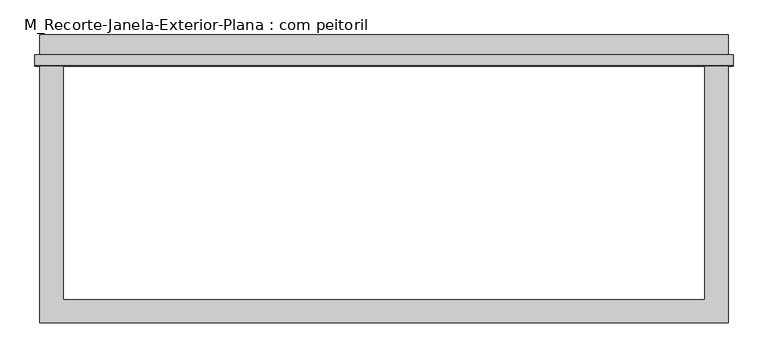
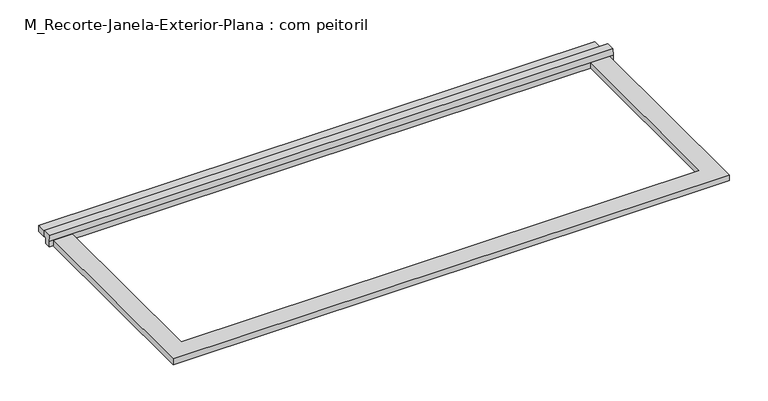
"""IFC4 building model written with IfcOpenShell, lengths in millimetres: proxy geometry, M_Recorte-Janela-Exterior-Plana : com peitoril."""

from ifc_helpers import new_model, si_unit, frame, origin, origin_with_axes, place, context, project, spatial, polyline, outline, extrude, source, transform, mapped, element, save


def m_recorte_janela_exterior_plana_com_peitoril_522b33e2(model_context):
    return source(origin(), model_context, "Body", "SweptSolid", [
        extrude(outline(polyline([(885.0, 620.4323709), (-885.0, 620.4323709), (-885.0, 680.4323709), (885.0, 680.4323709), (885.0, 620.4323709)])), origin_with_axes(), (0.0, 0.0, 1.0), 19.05),
        extrude(outline(polyline([(630.0, 38.1), (630.0, 19.05), (620.4323709, 19.05), (620.4323709, 0.0), (600.0, 0.0), (600.0, 19.05), (602.4580645, 38.1), (630.0, 38.1)])), frame((-897.7, 0.0, 0.0), z_axis=(1.0, 0.0, 0.0), x_axis=(0.0, 1.0, 0.0)), (0.0, 0.0, 1.0), 1795.4),
        extrude(outline(polyline([(-885.0, -60.0), (-885.0, 600.0), (-825.0, 600.0), (-825.0, 0.0), (825.0, 0.0), (825.0, 600.0), (885.0, 600.0), (885.0, -60.0), (-885.0, -60.0)])), origin_with_axes(), (0.0, 0.0, 1.0), 19.05),
    ])


if __name__ == "__main__":
    model = new_model("IFC4")
    model_context = context("Model", 3, world=origin())
    ifc_project = project(units=[si_unit("LENGTHUNIT", "METRE", prefix="MILLI")], contexts=[model_context])
    site = spatial("IfcSite", under=ifc_project)
    building = spatial("IfcBuilding", under=site)
    placement = place(None, origin())
    m_recorte_janela_exterior_plana_com_peitoril_shape = m_recorte_janela_exterior_plana_com_peitoril_522b33e2(model_context)
    element("IfcBuildingElementProxy", 1, Name="M_Recorte-Janela-Exterior-Plana : com peitoril", ObjectType="M_Recorte-Janela-Exterior-Plana : com peitoril", at=placement, inside=building, context=model_context, shape_type="MappedRepresentation", body=[
        mapped(m_recorte_janela_exterior_plana_com_peitoril_shape, transform((0.0, 0.0, 0.0), x_axis=(1.0, 0.0, 0.0), y_axis=(0.0, 1.0, 0.0), z_axis=(0.0, 0.0, 1.0))),
    ])
    save(model, "model.ifc")
